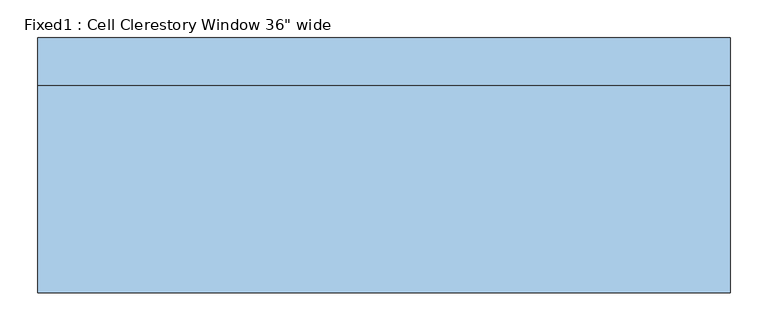
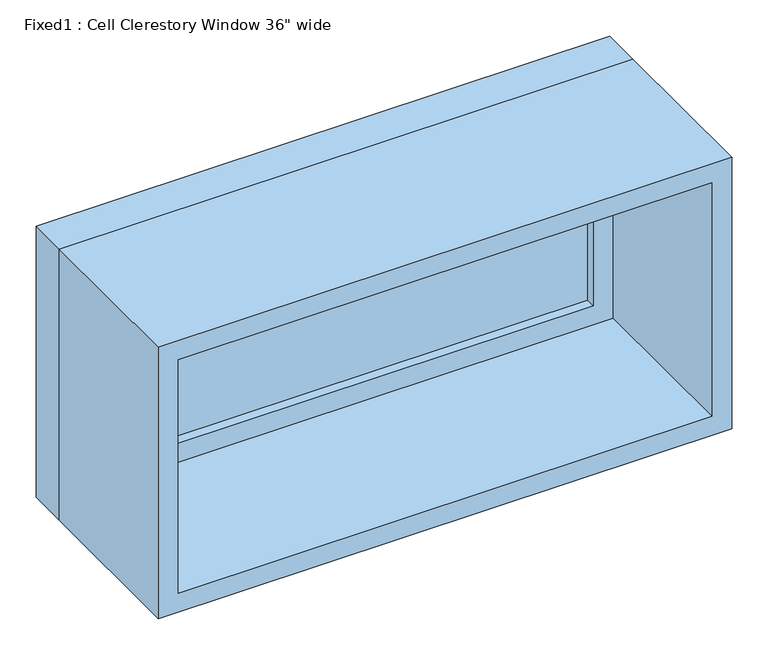
"""IFC4 building model written with IfcOpenShell, lengths in millimetres: window geometry."""

from ifc_helpers import new_model, si_unit, frame, origin, place, context, project, spatial, polyline, outline, extrude, source, transform, mapped, element, save


def window_41473931(model_context):
    return source(origin(), model_context, "Body", "SweptSolid", [
        extrude(outline(polyline([(355.6, 120.65), (-431.8, 120.65), (-431.8, 133.35), (355.6, 133.35), (355.6, 120.65)])), frame((0.0, 0.0, 2197.1), z_axis=(0.0, 0.0, 1.0), x_axis=(1.0, 0.0, 0.0)), (0.0, 0.0, 1.0), 330.2),
        extrude(outline(polyline([(2571.75, -476.25), (2152.65, -476.25), (2152.65, 400.05), (2571.75, 400.05), (2571.75, -476.25)]), holes=[polyline([(2527.3, -431.8), (2527.3, 355.6), (2197.1, 355.6), (2197.1, -431.8), (2527.3, -431.8)])]), frame((0.0, 104.775, 0.0), z_axis=(0.0, 1.0, 0.0), x_axis=(0.0, 0.0, 1.0)), (0.0, 0.0, 1.0), 44.45),
        extrude(outline(polyline([(2590.8, -495.3), (2133.6, -495.3), (2133.6, 419.1), (2590.8, 419.1), (2590.8, -495.3)]), holes=[polyline([(2559.05, -463.55), (2559.05, 387.35), (2165.35, 387.35), (2165.35, -463.55), (2559.05, -463.55)])]), frame((0.0, -168.275, 0.0), z_axis=(0.0, 1.0, 0.0), x_axis=(0.0, 0.0, 1.0)), (0.0, 0.0, 1.0), 273.05),
        extrude(outline(polyline([(2590.8, 419.1), (2590.8, -495.3), (2133.6, -495.3), (2133.6, 419.1), (2590.8, 419.1)]), holes=[polyline([(2571.75, 400.05), (2152.65, 400.05), (2152.65, -476.25), (2571.75, -476.25), (2571.75, 400.05)])]), frame((0.0, 104.775, 0.0), z_axis=(0.0, 1.0, 0.0), x_axis=(0.0, 0.0, 1.0)), (0.0, 0.0, 1.0), 63.5),
    ])


if __name__ == "__main__":
    model = new_model("IFC4")
    model_context = context("Model", 3, world=origin())
    ifc_project = project(units=[si_unit("LENGTHUNIT", "METRE", prefix="MILLI")], contexts=[model_context])
    site = spatial("IfcSite", under=ifc_project)
    building = spatial("IfcBuilding", under=site)
    placement = place(None, origin())
    window_shape = window_41473931(model_context)
    element("IfcWindow", 1, ObjectType="Fixed1 : Cell Clerestory Window 36\" wide", at=placement, inside=building, context=model_context, shape_type="MappedRepresentation", body=[
        mapped(window_shape, transform((0.0, 0.0, 0.0), x_axis=(1.0, 0.0, 0.0), y_axis=(0.0, 1.0, 0.0), z_axis=(0.0, 0.0, 1.0))),
    ])
    save(model, "model.ifc")
